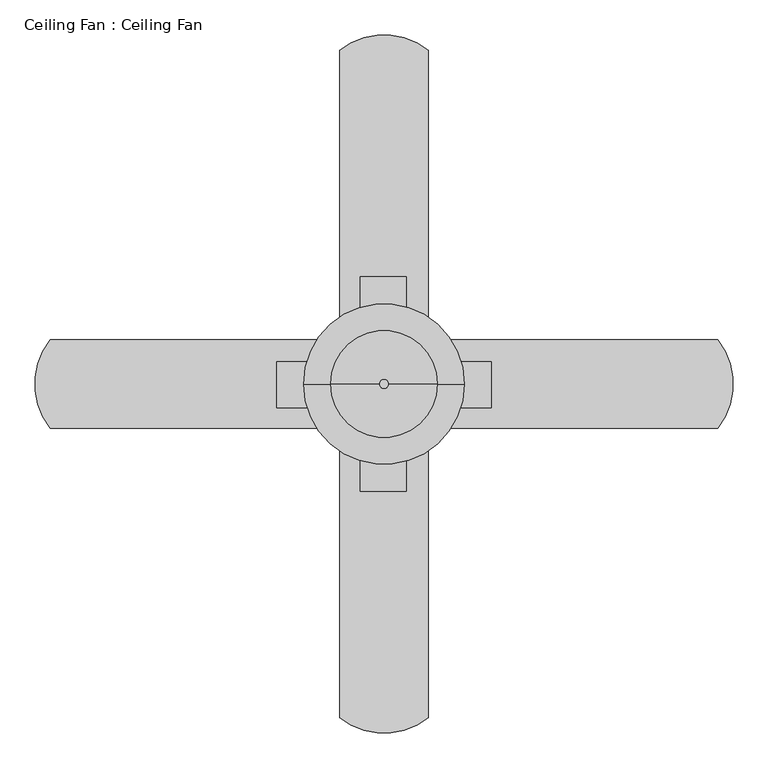
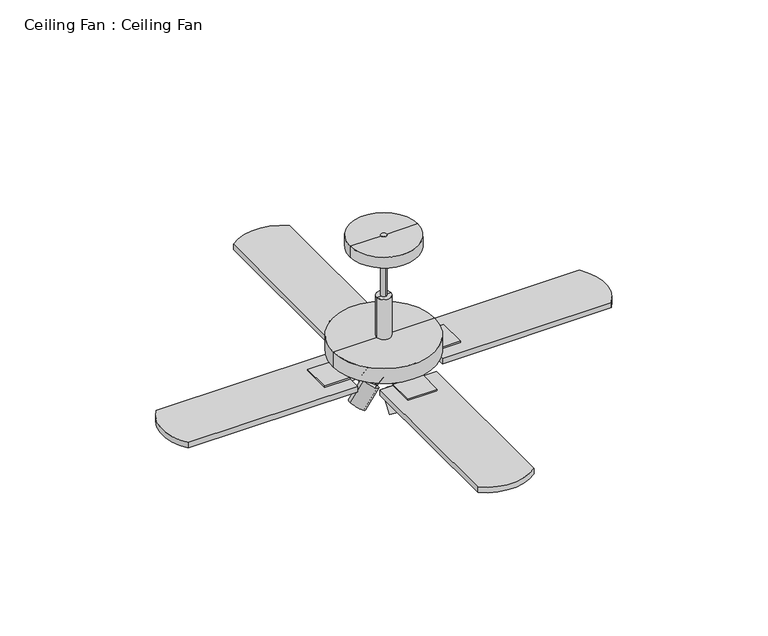
"""IFC4 building model written with IfcOpenShell, lengths in millimetres: light fixture geometry, Ceiling Fan : Ceiling Fan."""

from ifc_helpers import new_model, si_unit, point, frame, frame_2d, origin, place, context, project, spatial, polyline, circle_curve, trimmed, segment, composite_curve, outline, extrude, source, transform, mapped, element, save
from ifc_brep_helpers import plane_surface, cylinder_surface, revolved_surface, advanced_brep


def ceiling_fan_ceiling_fan_53422b62(model_context):
    return source(origin(), model_context, "Body", "SolidModel", [
        advanced_brep(
        [(-34.4117675, 19.5540583, 2248.8835606), (-34.4117675, 35.3678627, 2260.3729621), (-34.4117675, 3.7402538, 2237.3941592), (-34.4117675, 8.4907483, 2236.2572972), (-34.4117675, 34.9810993, 2255.5036637), (-34.4117675, 21.7359238, 2245.8804804), (-34.4117675, 36.1683736, 2198.1623141), (-34.4117675, 62.6587246, 2217.4086806), (-34.4117675, 33.5997447, 2196.2960959), (-34.4117675, 65.2273535, 2219.2748988)],
        [
            (0, 1),
            (1, 2, circle_curve(frame((-34.4117675, 19.5540583, 2248.8835606), z_axis=(0.0, -0.5877852523054193, 0.8090169943655415), x_axis=(0.0, 0.8090169943655415, 0.5877852523054193)), 19.5469373)),
            (2, 0),
            (2, 1, circle_curve(frame((-34.4117675, 19.5540583, 2248.8835606), z_axis=(0.0, -0.5877852523054193, 0.8090169943655415), x_axis=(0.0, 0.8090169943655415, 0.5877852523054193)), 19.5469373)),
            (3, 4, circle_curve(frame((-34.4117675, 21.7359238, 2245.8804804), z_axis=(0.0, 0.5877852523054193, -0.8090169943655415), x_axis=(0.0, 0.8090169943655415, 0.5877852523054193)), 16.3719373)),
            (4, 5),
            (5, 3),
            (4, 3, circle_curve(frame((-34.4117675, 21.7359238, 2245.8804804), z_axis=(0.0, 0.5877852523054193, -0.8090169943655415), x_axis=(0.0, 0.8090169943655415, 0.5877852523054193)), 16.3719373)),
            (6, 7, circle_curve(frame((-34.4117675, 49.4135491, 2207.7854973), z_axis=(0.0, 0.5877852523054193, -0.8090169943655415), x_axis=(0.0, 0.8090169943655415, 0.5877852523054193)), 16.3719373)),
            (7, 4),
            (3, 6),
            (7, 6, circle_curve(frame((-34.4117675, 49.4135491, 2207.7854973), z_axis=(0.0, 0.5877852523054193, -0.8090169943655415), x_axis=(0.0, 0.8090169943655415, 0.5877852523054193)), 16.3719373)),
            (8, 9, circle_curve(frame((-34.4117675, 49.4135491, 2207.7854973), z_axis=(0.0, 0.5877852523054193, -0.8090169943655415), x_axis=(0.0, 0.8090169943655415, 0.5877852523054193)), 19.5469373)),
            (9, 7),
            (6, 8),
            (9, 8, circle_curve(frame((-34.4117675, 49.4135491, 2207.7854973), z_axis=(0.0, 0.5877852523054193, -0.8090169943655415), x_axis=(0.0, 0.8090169943655415, 0.5877852523054193)), 19.5469373)),
            (1, 9),
            (8, 2),
        ],
        [
            plane_surface(frame((-34.4117675, 19.5540583, 2248.8835606), z_axis=(0.0, -0.5877852523054193, 0.8090169943655415), x_axis=(0.0, 0.8090169943655415, 0.5877852523054193))),
            plane_surface(frame((-34.4117675, 21.7359238, 2245.8804804), z_axis=(0.0, 0.5877852523054193, -0.8090169943655415), x_axis=(0.0, 0.8090169943655415, 0.5877852523054193))),
            revolved_surface(polyline([(-34.4117675, 34.98109923633481, 2255.5036637376816), (-34.4117675, 62.6587245975614, 2217.4086805901966)]), (-34.4117675, 26.6219737, 2239.1554096), (0.0, -0.5877852523054193, 0.8090169943655415)),
            plane_surface(frame((-34.4117675, 49.4135491, 2207.7854973), z_axis=(0.0, 0.5877852523054193, -0.8090169943655415), x_axis=(0.0, 0.8090169943655415, 0.5877852523054193))),
            cylinder_surface(frame((-34.4117675, 26.6219737, 2239.1554096), z_axis=(0.0, -0.5877852523054193, 0.8090169943655415), x_axis=(0.0, 0.8090169943655415, 0.5877852523054193)), 19.5469373),
        ],
        [
            (0, [[1, 2, 3]]),
            (0, [[-3, 4, -1]]),
            (1, [[5, 6, 7]]),
            (1, [[8, -7, -6]]),
            (2, [[9, 10, -5, 11]]),
            (2, [[12, -11, -8, -10]]),
            (3, [[13, 14, -9, 15]]),
            (3, [[16, -15, -12, -14]]),
            (4, [[-2, 17, -13, 18]]),
            (4, [[-4, -18, -16, -17]]),
        ],
    ),
        advanced_brep(
        [(-34.4117675, -55.0506843, 2196.2960959), (-34.4117675, -86.6782932, 2219.2748988), (-34.4117675, -56.8188023, 2260.3729621), (-34.4117675, -25.1911935, 2237.3941592), (-34.4117675, -57.6193132, 2198.1623141), (-34.4117675, -84.1096642, 2217.4086806), (-34.4117675, -29.9416879, 2236.2572972), (-34.4117675, -56.4320389, 2255.5036637), (-34.4117675, -43.1868634, 2245.8804804), (-34.4117675, -41.0049979, 2248.8835606)],
        [
            (0, 1, circle_curve(frame((-34.4117675, -70.8644887, 2207.7854973), z_axis=(0.0, 0.5877852523061721, 0.8090169943649946), x_axis=(0.0, -0.8090169943649946, 0.5877852523061721)), 19.5469373)),
            (1, 2),
            (2, 3, circle_curve(frame((-34.4117675, -41.0049979, 2248.8835606), z_axis=(0.0, -0.5877852523061721, -0.8090169943649946), x_axis=(0.0, -0.8090169943649946, 0.5877852523061721)), 19.5469373)),
            (3, 0),
            (1, 0, circle_curve(frame((-34.4117675, -70.8644887, 2207.7854973), z_axis=(0.0, 0.5877852523061721, 0.8090169943649946), x_axis=(0.0, -0.8090169943649946, 0.5877852523061721)), 19.5469373)),
            (3, 2, circle_curve(frame((-34.4117675, -41.0049979, 2248.8835606), z_axis=(0.0, -0.5877852523061721, -0.8090169943649946), x_axis=(0.0, -0.8090169943649946, 0.5877852523061721)), 19.5469373)),
            (4, 5, circle_curve(frame((-34.4117675, -70.8644887, 2207.7854973), z_axis=(0.0, 0.5877852523061721, 0.8090169943649946), x_axis=(0.0, -0.8090169943649946, 0.5877852523061721)), 16.3719373)),
            (5, 1),
            (0, 4),
            (5, 4, circle_curve(frame((-34.4117675, -70.8644887, 2207.7854973), z_axis=(0.0, 0.5877852523061721, 0.8090169943649946), x_axis=(0.0, -0.8090169943649946, 0.5877852523061721)), 16.3719373)),
            (6, 7, circle_curve(frame((-34.4117675, -43.1868634, 2245.8804804), z_axis=(0.0, 0.5877852523061721, 0.8090169943649946), x_axis=(0.0, -0.8090169943649946, 0.5877852523061721)), 16.3719373)),
            (7, 5),
            (4, 6),
            (7, 6, circle_curve(frame((-34.4117675, -43.1868634, 2245.8804804), z_axis=(0.0, 0.5877852523061721, 0.8090169943649946), x_axis=(0.0, -0.8090169943649946, 0.5877852523061721)), 16.3719373)),
            (8, 7),
            (6, 8),
            (2, 9),
            (9, 3),
        ],
        [
            cylinder_surface(frame((-34.4117675, -48.0729134, 2239.1554096), z_axis=(0.0, -0.5877852523061721, -0.8090169943649946), x_axis=(0.0, -0.8090169943649946, 0.5877852523061721)), 19.5469373),
            plane_surface(frame((-34.4117675, -70.8644887, 2207.7854973), z_axis=(0.0, -0.5877852523061721, -0.8090169943649946), x_axis=(0.0, -0.8090169943649946, 0.5877852523061721))),
            revolved_surface(polyline([(-34.4117675, -84.10966426303249, 2217.408680637783), (-34.4117675, -56.4320389017615, 2255.5036637852545)]), (-34.4117675, -48.0729134, 2239.1554096), (0.0, -0.5877852523061721, -0.8090169943649946)),
            plane_surface(frame((-34.4117675, -43.1868634, 2245.8804804), z_axis=(0.0, -0.5877852523061721, -0.8090169943649946), x_axis=(0.0, -0.8090169943649946, 0.5877852523061721))),
            plane_surface(frame((-34.4117675, -41.0049979, 2248.8835606), z_axis=(0.0, 0.5877852523061721, 0.8090169943649946), x_axis=(0.0, -0.8090169943649946, 0.5877852523061721))),
        ],
        [
            (0, [[1, 2, 3, 4]]),
            (0, [[5, -4, 6, -2]]),
            (1, [[7, 8, -1, 9]]),
            (1, [[10, -9, -5, -8]]),
            (2, [[11, 12, -7, 13]]),
            (2, [[14, -13, -10, -12]]),
            (3, [[15, -11, 16]]),
            (3, [[-16, -14, -15]]),
            (4, [[-3, 17, 18]]),
            (4, [[-6, -18, -17]]),
        ],
    ),
        advanced_brep(
        [(-4.1322394, -10.7254698, 2248.8835607), (11.681565, -10.7254698, 2260.3729621), (-19.9460439, -10.7254698, 2237.3941592), (-15.1955494, -10.7254698, 2236.2572972), (11.2948015, -10.7254698, 2255.5036637), (-1.9503739, -10.7254698, 2245.8804804), (12.4820759, -10.7254698, 2198.1623141), (38.9724269, -10.7254698, 2217.4086806), (9.9134469, -10.7254698, 2196.2960959), (41.5410558, -10.7254698, 2219.2748988)],
        [
            (0, 1),
            (1, 2, circle_curve(frame((-4.1322394, -10.7254698, 2248.8835606), z_axis=(-0.5877852523039685, 0.0, 0.8090169943665957), x_axis=(0.8090169943665957, 0.0, 0.5877852523039685)), 19.5469373)),
            (2, 0),
            (2, 1, circle_curve(frame((-4.1322394, -10.7254698, 2248.8835606), z_axis=(-0.5877852523039685, 0.0, 0.8090169943665957), x_axis=(0.8090169943665957, 0.0, 0.5877852523039685)), 19.5469373)),
            (3, 4, circle_curve(frame((-1.9503739, -10.7254698, 2245.8804804), z_axis=(0.5877852523039685, 0.0, -0.8090169943665957), x_axis=(0.8090169943665957, 0.0, 0.5877852523039685)), 16.3719373)),
            (4, 5),
            (5, 3),
            (4, 3, circle_curve(frame((-1.9503739, -10.7254698, 2245.8804804), z_axis=(0.5877852523039685, 0.0, -0.8090169943665957), x_axis=(0.8090169943665957, 0.0, 0.5877852523039685)), 16.3719373)),
            (6, 7, circle_curve(frame((25.7272514, -10.7254698, 2207.7854973), z_axis=(0.5877852523039685, 0.0, -0.8090169943665957), x_axis=(0.8090169943665957, 0.0, 0.5877852523039685)), 16.3719373)),
            (7, 4),
            (3, 6),
            (7, 6, circle_curve(frame((25.7272514, -10.7254698, 2207.7854973), z_axis=(0.5877852523039685, 0.0, -0.8090169943665957), x_axis=(0.8090169943665957, 0.0, 0.5877852523039685)), 16.3719373)),
            (8, 9, circle_curve(frame((25.7272514, -10.7254698, 2207.7854973), z_axis=(0.5877852523039685, 0.0, -0.8090169943665957), x_axis=(0.8090169943665957, 0.0, 0.5877852523039685)), 19.5469373)),
            (9, 7),
            (6, 8),
            (9, 8, circle_curve(frame((25.7272514, -10.7254698, 2207.7854973), z_axis=(0.5877852523039685, 0.0, -0.8090169943665957), x_axis=(0.8090169943665957, 0.0, 0.5877852523039685)), 19.5469373)),
            (1, 9),
            (8, 2),
        ],
        [
            plane_surface(frame((-4.1322394, -10.7254698, 2248.8835606), z_axis=(-0.5877852523039685, 0.0, 0.8090169943665957), x_axis=(0.8090169943665957, 0.0, 0.5877852523039685))),
            plane_surface(frame((-1.9503739, -10.7254698, 2245.8804804), z_axis=(0.5877852523039685, 0.0, -0.8090169943665957), x_axis=(0.8090169943665957, 0.0, 0.5877852523039685))),
            revolved_surface(polyline([(11.294801536381389, -10.7254698, 2255.503663737643), (38.97242689752241, -10.7254698, 2217.408680590132)]), (2.935676, -10.7254698, 2239.1554096), (-0.5877852523039685, 0.0, 0.8090169943665957)),
            plane_surface(frame((25.7272514, -10.7254698, 2207.7854973), z_axis=(0.5877852523039685, 0.0, -0.8090169943665957), x_axis=(0.8090169943665957, 0.0, 0.5877852523039685))),
            cylinder_surface(frame((2.935676, -10.7254698, 2239.1554096), z_axis=(-0.5877852523039685, 0.0, 0.8090169943665957), x_axis=(0.8090169943665957, 0.0, 0.5877852523039685)), 19.5469373),
        ],
        [
            (0, [[1, 2, 3]]),
            (0, [[-3, 4, -1]]),
            (1, [[5, 6, 7]]),
            (1, [[8, -7, -6]]),
            (2, [[9, 10, -5, 11]]),
            (2, [[12, -11, -8, -10]]),
            (3, [[13, 14, -9, 15]]),
            (3, [[16, -15, -12, -14]]),
            (4, [[-2, 17, -13, 18]]),
            (4, [[-4, -18, -16, -17]]),
        ],
    ),
        advanced_brep(
        [(-78.736982, -10.7254698, 2196.2960959), (-110.3645909, -10.7254698, 2219.2748988), (-80.5051001, -10.7254698, 2260.3729621), (-48.8774912, -10.7254698, 2237.3941592), (-81.3056109, -10.7254698, 2198.1623141), (-107.7959619, -10.7254698, 2217.4086806), (-53.6279856, -10.7254698, 2236.2572972), (-80.1183366, -10.7254698, 2255.5036637), (-66.8731611, -10.7254698, 2245.8804804), (-64.6912956, -10.7254698, 2248.8835606)],
        [
            (0, 1, circle_curve(frame((-94.5507864, -10.7254698, 2207.7854973), z_axis=(0.5877852523064482, 0.0, 0.809016994364794), x_axis=(-0.809016994364794, 0.0, 0.5877852523064482)), 19.5469373)),
            (1, 2),
            (2, 3, circle_curve(frame((-64.6912956, -10.7254698, 2248.8835606), z_axis=(-0.5877852523064482, 0.0, -0.809016994364794), x_axis=(-0.809016994364794, 0.0, 0.5877852523064482)), 19.5469373)),
            (3, 0),
            (1, 0, circle_curve(frame((-94.5507864, -10.7254698, 2207.7854973), z_axis=(0.5877852523064482, 0.0, 0.809016994364794), x_axis=(-0.809016994364794, 0.0, 0.5877852523064482)), 19.5469373)),
            (3, 2, circle_curve(frame((-64.6912956, -10.7254698, 2248.8835606), z_axis=(-0.5877852523064482, 0.0, -0.809016994364794), x_axis=(-0.809016994364794, 0.0, 0.5877852523064482)), 19.5469373)),
            (4, 5, circle_curve(frame((-94.5507864, -10.7254698, 2207.7854973), z_axis=(0.5877852523064482, 0.0, 0.809016994364794), x_axis=(-0.809016994364794, 0.0, 0.5877852523064482)), 16.3719373)),
            (5, 1),
            (0, 4),
            (5, 4, circle_curve(frame((-94.5507864, -10.7254698, 2207.7854973), z_axis=(0.5877852523064482, 0.0, 0.809016994364794), x_axis=(-0.809016994364794, 0.0, 0.5877852523064482)), 16.3719373)),
            (6, 7, circle_curve(frame((-66.8731611, -10.7254698, 2245.8804804), z_axis=(0.5877852523064482, 0.0, 0.809016994364794), x_axis=(-0.809016994364794, 0.0, 0.5877852523064482)), 16.3719373)),
            (7, 5),
            (4, 6),
            (7, 6, circle_curve(frame((-66.8731611, -10.7254698, 2245.8804804), z_axis=(0.5877852523064482, 0.0, 0.809016994364794), x_axis=(-0.809016994364794, 0.0, 0.5877852523064482)), 16.3719373)),
            (8, 7),
            (6, 8),
            (2, 9),
            (9, 3),
        ],
        [
            cylinder_surface(frame((-71.7592111, -10.7254698, 2239.1554096), z_axis=(-0.5877852523064482, 0.0, -0.809016994364794), x_axis=(-0.809016994364794, 0.0, 0.5877852523064482)), 19.5469373),
            plane_surface(frame((-94.5507864, -10.7254698, 2207.7854973), z_axis=(-0.5877852523064482, 0.0, -0.809016994364794), x_axis=(-0.809016994364794, 0.0, 0.5877852523064482))),
            revolved_surface(polyline([(-107.79596196303991, -10.7254698, 2217.4086806377954), (-80.11833660175265, -10.7254698, 2255.503663785262)]), (-71.7592111, -10.7254698, 2239.1554096), (-0.5877852523064482, 0.0, -0.809016994364794)),
            plane_surface(frame((-66.8731611, -10.7254698, 2245.8804804), z_axis=(-0.5877852523064482, 0.0, -0.809016994364794), x_axis=(-0.809016994364794, 0.0, 0.5877852523064482))),
            plane_surface(frame((-64.6912956, -10.7254698, 2248.8835606), z_axis=(0.5877852523064482, 0.0, 0.809016994364794), x_axis=(-0.809016994364794, 0.0, 0.5877852523064482))),
        ],
        [
            (0, [[1, 2, 3, 4]]),
            (0, [[5, -4, 6, -2]]),
            (1, [[7, 8, -1, 9]]),
            (1, [[10, -9, -5, -8]]),
            (2, [[11, 12, -7, 13]]),
            (2, [[14, -13, -10, -12]]),
            (3, [[15, -11, 16]]),
            (3, [[-16, -14, -15]]),
            (4, [[-3, 17, 18]]),
            (4, [[-6, -18, -17]]),
        ],
    ),
        extrude(outline(composite_curve([segment(trimmed(circle_curve(frame_2d((-34.4117675, -10.7254698)), 11.1481433), [point((-34.4117675, 0.4226735))], [point((-34.4117675, -21.8736131))], False, "CARTESIAN"), True, "CONTINUOUS"), segment(trimmed(circle_curve(frame_2d((-34.4117675, -10.7254698)), 11.1481433), [point((-34.4117675, -21.8736131))], [point((-34.4117675, 0.4226735))], False, "CARTESIAN"), True, "CONTINUOUS")], self_intersect=False)), frame((0.0, 0.0, 2256.9624788), z_axis=(0.0, 0.0, 1.0), x_axis=(1.0, 0.0, 0.0)), (0.0, 0.0, 1.0), 29.0375212),
        extrude(outline(composite_curve([segment(polyline([(-68.1975244, 142.1434663), (-2.8324057, 142.1434663), (-2.8324057, 84.5992777), (-9.0117675, 84.5992777), (-29.899156, -4.0709834)]), True, "CONTINUOUS"), segment(trimmed(circle_curve(frame_2d((-34.4742922, -13.5154345)), 10.4942616), [point((-29.899156, -4.0709834))], [point((-39.0751081, -4.0834665))], True, "CARTESIAN"), True, "CONTINUOUS"), segment(polyline([(-39.0751081, -4.0834665), (-58.5429706, 84.5992777), (-68.1975244, 84.5992777), (-68.1975244, 142.1434663)]), True, "CONTINUOUS")], self_intersect=False)), frame((0.0, 0.0, 2286.0), z_axis=(0.0, 0.0, 1.0), x_axis=(1.0, 0.0, 0.0)), (0.0, 0.0, 1.0), 19.05),
        extrude(outline(composite_curve([segment(polyline([(-68.1975244, -163.5944059), (-68.1975244, -106.0502173), (-58.5429706, -106.0502173), (-38.874884, -17.4625361)]), True, "CONTINUOUS"), segment(trimmed(circle_curve(frame_2d((-34.4742922, -7.9355051)), 10.4942616), [point((-38.874884, -17.4625361))], [point((-29.9610506, -17.4096899))], True, "CARTESIAN"), True, "CONTINUOUS"), segment(polyline([(-29.9610506, -17.4096899), (-9.0117675, -106.0502173), (-2.8324057, -106.0502173), (-2.8324057, -163.5944059), (-68.1975244, -163.5944059)]), True, "CONTINUOUS")], self_intersect=False)), frame((0.0, 0.0, 2286.0), z_axis=(0.0, 0.0, 1.0), x_axis=(1.0, 0.0, 0.0)), (0.0, 0.0, 1.0), 19.05),
        extrude(outline(composite_curve([segment(polyline([(118.4571686, -44.5112267), (60.91298, -44.5112267), (60.91298, -34.8566728), (-27.6747012, -15.1885863)]), True, "CONTINUOUS"), segment(trimmed(circle_curve(frame_2d((-37.2017322, -10.7879945)), 10.4942616), [point((-27.6747012, -15.1885863))], [point((-27.7275474, -6.2747529))], True, "CARTESIAN"), True, "CONTINUOUS"), segment(polyline([(-27.7275474, -6.2747529), (60.91298, 14.6745302), (60.91298, 20.853892), (118.4571686, 20.853892), (118.4571686, -44.5112267)]), True, "CONTINUOUS")], self_intersect=False)), frame((0.0, 0.0, 2286.0), z_axis=(0.0, 0.0, 1.0), x_axis=(1.0, 0.0, 0.0)), (0.0, 0.0, 1.0), 19.05),
        extrude(outline(composite_curve([segment(polyline([(-187.2807036, -44.5112267), (-187.2807036, 20.853892), (-129.736515, 20.853892), (-129.736515, 14.6745302), (-41.0662539, -6.2128582)]), True, "CONTINUOUS"), segment(trimmed(circle_curve(frame_2d((-31.6218028, -10.7879945)), 10.4942616), [point((-41.0662539, -6.2128582))], [point((-41.0537709, -15.3888103))], True, "CARTESIAN"), True, "CONTINUOUS"), segment(polyline([(-41.0537709, -15.3888103), (-129.736515, -34.8566728), (-129.736515, -44.5112267), (-187.2807036, -44.5112267)]), True, "CONTINUOUS")], self_intersect=False)), frame((0.0, 0.0, 2286.0), z_axis=(0.0, 0.0, 1.0), x_axis=(1.0, 0.0, 0.0)), (0.0, 0.0, 1.0), 19.05),
        advanced_brep(
        [(-18.5367675, -10.7254698, 2447.9249938), (-50.2867675, -10.7254698, 2447.9249938), (-34.4117675, -10.7254698, 2447.9249938), (-18.5367675, -10.7254698, 2352.8664435), (-50.2867675, -10.7254698, 2352.8664435), (80.1614402, -10.7254698, 2352.8664435), (-148.9849753, -10.7254698, 2352.8664435), (80.1614402, -10.7254698, 2317.1553487), (-148.9849753, -10.7254698, 2317.1553487), (22.8748364, -10.7254698, 2311.6613341), (-91.6983714, -10.7254698, 2311.6613341), (-34.4117675, -10.7254698, 2311.6613341)],
        [
            (0, 1, circle_curve(frame((-34.4117675, -10.7254698, 2447.9249938), z_axis=(0.0, 0.0, 1.0), x_axis=(-1.0, 0.0, 0.0)), 15.875)),
            (1, 2),
            (2, 0),
            (1, 0, circle_curve(frame((-34.4117675, -10.7254698, 2447.9249938), z_axis=(0.0, 0.0, 1.0), x_axis=(-1.0, 0.0, 0.0)), 15.875)),
            (3, 4, circle_curve(frame((-34.4117675, -10.7254698, 2352.8664435), z_axis=(0.0, 0.0, 1.0), x_axis=(-1.0, 0.0, 0.0)), 15.875)),
            (4, 1),
            (0, 3),
            (4, 3, circle_curve(frame((-34.4117675, -10.7254698, 2352.8664435), z_axis=(0.0, 0.0, 1.0), x_axis=(-1.0, 0.0, 0.0)), 15.875)),
            (5, 6, circle_curve(frame((-34.4117675, -10.7254698, 2352.8664435), z_axis=(0.0, 0.0, 1.0), x_axis=(-1.0, 0.0, 0.0)), 114.5732078)),
            (6, 4),
            (3, 5),
            (6, 5, circle_curve(frame((-34.4117675, -10.7254698, 2352.8664435), z_axis=(0.0, 0.0, 1.0), x_axis=(-1.0, 0.0, 0.0)), 114.5732078)),
            (7, 8, circle_curve(frame((-34.4117675, -10.7254698, 2317.1553487), z_axis=(0.0, 0.0, 1.0), x_axis=(-1.0, 0.0, 0.0)), 114.5732078)),
            (8, 6),
            (5, 7),
            (8, 7, circle_curve(frame((-34.4117675, -10.7254698, 2317.1553487), z_axis=(0.0, 0.0, 1.0), x_axis=(-1.0, 0.0, 0.0)), 114.5732078)),
            (9, 10, circle_curve(frame((-34.4117675, -10.7254698, 2311.6613341), z_axis=(0.0, 0.0, 1.0), x_axis=(-1.0, 0.0, 0.0)), 57.2866039)),
            (10, 8),
            (7, 9),
            (10, 9, circle_curve(frame((-34.4117675, -10.7254698, 2311.6613341), z_axis=(0.0, 0.0, 1.0), x_axis=(-1.0, 0.0, 0.0)), 57.2866039)),
            (11, 10),
            (9, 11),
        ],
        [
            plane_surface(frame((-34.4117675, -10.7254698, 2447.9249938), z_axis=(0.0, 0.0, 1.0), x_axis=(-1.0, 0.0, 0.0))),
            cylinder_surface(frame((-34.4117675, -10.7254698, 2468.9275019), z_axis=(0.0, 0.0, -1.0), x_axis=(-1.0, 0.0, 0.0)), 15.875),
            plane_surface(frame((-34.4117675, -10.7254698, 2352.8664435), z_axis=(0.0, 0.0, 1.0), x_axis=(-1.0, 0.0, 0.0))),
            cylinder_surface(frame((-34.4117675, -10.7254698, 2468.9275019), z_axis=(0.0, 0.0, -1.0), x_axis=(-1.0, 0.0, 0.0)), 114.5732078),
            revolved_surface(polyline([(-148.9849753, -10.7254698, 2317.1553487), (-91.6983714, -10.7254698, 2311.6613341)]), (-34.4117675, -10.7254698, 2468.9275019), (0.0, 0.0, -1.0)),
            plane_surface(frame((-34.4117675, -10.7254698, 2311.6613341), z_axis=(0.0, 0.0, -1.0), x_axis=(-1.0, 0.0, 0.0))),
        ],
        [
            (0, [[1, 2, 3]]),
            (0, [[4, -3, -2]]),
            (1, [[5, 6, -1, 7]]),
            (1, [[8, -7, -4, -6]]),
            (2, [[9, 10, -5, 11]]),
            (2, [[12, -11, -8, -10]]),
            (3, [[13, 14, -9, 15]]),
            (3, [[16, -15, -12, -14]]),
            (4, [[17, 18, -13, 19]]),
            (4, [[20, -19, -16, -18]]),
            (5, [[21, -17, 22]]),
            (5, [[-22, -20, -21]]),
        ],
    ),
        extrude(outline(composite_curve([segment(trimmed(circle_curve(frame_2d((362.1834932, -10.7254698)), 101.6), [point((441.8382325, 52.3434014))], [point((441.8382325, -73.794341))], False, "CARTESIAN"), True, "CONTINUOUS"), segment(polyline([(441.8382325, -73.794341), (60.91298, -73.794341), (60.91298, 52.3434014), (441.8382325, 52.3434014)]), True, "CONTINUOUS")], self_intersect=False)), frame((0.0, 0.0, 2289.175), z_axis=(0.0, 0.0, 1.0), x_axis=(1.0, 0.0, 0.0)), (0.0, 0.0, 1.0), 12.7),
        extrude(outline(composite_curve([segment(trimmed(circle_curve(frame_2d((-34.4117675, -407.3207305)), 101.6), [point((28.6571037, -486.9754698))], [point((-97.4806387, -486.9754698))], False, "CARTESIAN"), True, "CONTINUOUS"), segment(polyline([(-97.4806387, -486.9754698), (-97.4806387, -106.0502173), (28.6571037, -106.0502173), (28.6571037, -486.9754698)]), True, "CONTINUOUS")], self_intersect=False)), frame((0.0, 0.0, 2289.175), z_axis=(0.0, 0.0, 1.0), x_axis=(1.0, 0.0, 0.0)), (0.0, 0.0, 1.0), 12.7),
        extrude(outline(composite_curve([segment(trimmed(circle_curve(frame_2d((-431.0070283, -10.7254698)), 101.6), [point((-510.6617675, -73.794341))], [point((-510.6617675, 52.3434014))], False, "CARTESIAN"), True, "CONTINUOUS"), segment(polyline([(-510.6617675, 52.3434014), (-129.736515, 52.3434014), (-129.736515, -73.794341), (-510.6617675, -73.794341)]), True, "CONTINUOUS")], self_intersect=False)), frame((0.0, 0.0, 2289.175), z_axis=(0.0, 0.0, 1.0), x_axis=(1.0, 0.0, 0.0)), (0.0, 0.0, 1.0), 12.7),
        extrude(outline(composite_curve([segment(trimmed(circle_curve(frame_2d((-34.4117675, 385.8697909)), 101.6), [point((-97.4806387, 465.5245302))], [point((28.6571037, 465.5245302))], False, "CARTESIAN"), True, "CONTINUOUS"), segment(polyline([(28.6571037, 465.5245302), (28.6571037, 84.5992777), (-97.4806387, 84.5992777), (-97.4806387, 465.5245302)]), True, "CONTINUOUS")], self_intersect=False)), frame((0.0, 0.0, 2289.175), z_axis=(0.0, 0.0, 1.0), x_axis=(1.0, 0.0, 0.0)), (0.0, 0.0, 1.0), 12.7),
        extrude(outline(composite_curve([segment(trimmed(circle_curve(frame_2d((-34.4117675, -10.7254698)), 6.35), [point((-34.4117675, -4.3754698))], [point((-34.4117675, -17.0754698))], False, "CARTESIAN"), True, "CONTINUOUS"), segment(trimmed(circle_curve(frame_2d((-34.4117675, -10.7254698)), 6.35), [point((-34.4117675, -17.0754698))], [point((-34.4117675, -4.3754698))], False, "CARTESIAN"), True, "CONTINUOUS")], self_intersect=False)), frame((0.0, 0.0, 2289.175), z_axis=(0.0, 0.0, 1.0), x_axis=(1.0, 0.0, 0.0)), (0.0, 0.0, 1.0), 301.625),
        advanced_brep(
        [(41.7882325, -10.7254698, 2565.4), (-110.6117675, -10.7254698, 2565.4), (-110.6117675, -10.7254698, 2590.8), (41.7882325, -10.7254698, 2590.8), (-34.4117675, -10.7254698, 2529.8673564), (-34.4117675, -10.7254698, 2590.8)],
        [
            (0, 1, circle_curve(frame((-34.4117675, -10.7254698, 2565.4), z_axis=(0.0, 0.0, 1.0), x_axis=(-1.0, 0.0, 0.0)), 76.2)),
            (1, 2),
            (2, 3, circle_curve(frame((-34.4117675, -10.7254698, 2590.8), z_axis=(0.0, 0.0, -1.0), x_axis=(-1.0, 0.0, 0.0)), 76.2)),
            (3, 0),
            (1, 0, circle_curve(frame((-34.4117675, -10.7254698, 2565.4), z_axis=(0.0, 0.0, 1.0), x_axis=(-1.0, 0.0, 0.0)), 76.2)),
            (3, 2, circle_curve(frame((-34.4117675, -10.7254698, 2590.8), z_axis=(0.0, 0.0, -1.0), x_axis=(-1.0, 0.0, 0.0)), 76.2)),
            (4, 1),
            (0, 4),
            (2, 5),
            (5, 3),
        ],
        [
            cylinder_surface(frame((-34.4117675, -10.7254698, 2667.0), z_axis=(0.0, 0.0, -1.0), x_axis=(-1.0, 0.0, 0.0)), 76.2),
            revolved_surface(polyline([(-110.6117675, -10.7254698, 2565.4), (-34.4117675, -10.7254698, 2529.8673564)]), (-34.4117675, -10.7254698, 2667.0), (0.0, 0.0, -1.0)),
            plane_surface(frame((-34.4117675, -10.7254698, 2590.8), z_axis=(0.0, 0.0, 1.0), x_axis=(-1.0, 0.0, 0.0))),
        ],
        [
            (0, [[1, 2, 3, 4]]),
            (0, [[5, -4, 6, -2]]),
            (1, [[7, -1, 8]]),
            (1, [[-8, -5, -7]]),
            (2, [[-3, 9, 10]]),
            (2, [[-6, -10, -9]]),
        ],
    ),
    ])


if __name__ == "__main__":
    model = new_model("IFC4")
    model_context = context("Model", 3, world=origin())
    ifc_project = project(units=[si_unit("LENGTHUNIT", "METRE", prefix="MILLI")], contexts=[model_context])
    site = spatial("IfcSite", under=ifc_project)
    building = spatial("IfcBuilding", under=site)
    placement = place(None, origin())
    ceiling_fan_ceiling_fan_shape = ceiling_fan_ceiling_fan_53422b62(model_context)
    element("IfcLightFixture", 1, ObjectType="Ceiling Fan : Ceiling Fan", at=placement, inside=building, context=model_context, shape_type="MappedRepresentation", body=[
        mapped(ceiling_fan_ceiling_fan_shape, transform((0.0, 0.0, 0.0), x_axis=(1.0, 0.0, 0.0), y_axis=(0.0, 1.0, 0.0), z_axis=(0.0, 0.0, 1.0))),
    ])
    save(model, "model.ifc")
